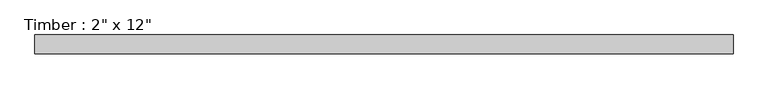
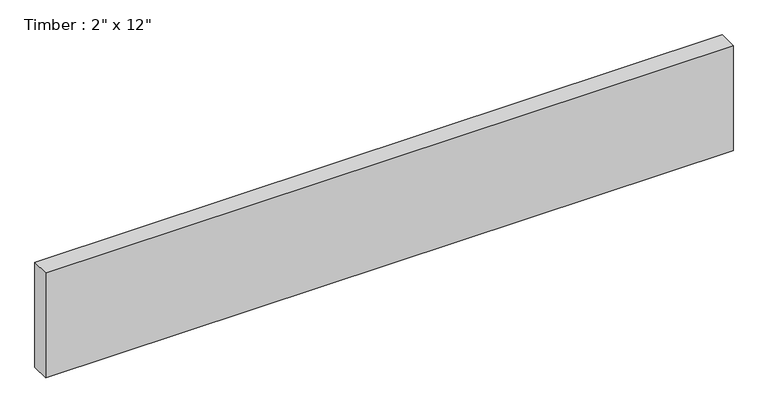
"""IFC4 building model written with IfcOpenShell, lengths in millimetres: beam geometry."""

from ifc_helpers import new_model, si_unit, frame, origin, place, context, project, spatial, polyline, outline, extrude, source, transform, mapped, element, save


def beam_5a989ac2(model_context):
    return source(origin(), model_context, "Body", "SweptSolid", [
        extrude(outline(polyline([(953.9490515, 25.4), (953.9490515, -25.4), (-930.2902004, -25.4), (-930.2902004, 25.4), (953.9490515, 25.4)])), frame((0.0, 0.0, -152.4), z_axis=(0.0, 0.0, 1.0), x_axis=(1.0, 0.0, 0.0)), (0.0, 0.0, 1.0), 304.8),
    ])


if __name__ == "__main__":
    model = new_model("IFC4")
    model_context = context("Model", 3, world=origin())
    ifc_project = project(units=[si_unit("LENGTHUNIT", "METRE", prefix="MILLI")], contexts=[model_context])
    site = spatial("IfcSite", under=ifc_project)
    building = spatial("IfcBuilding", under=site)
    placement = place(None, origin())
    beam_shape = beam_5a989ac2(model_context)
    element("IfcBeam", 1, ObjectType="Timber : 2\" x 12\"", at=placement, inside=building, context=model_context, shape_type="MappedRepresentation", body=[
        mapped(beam_shape, transform((0.0, 0.0, 0.0), x_axis=(1.0, 0.0, 0.0), y_axis=(0.0, 1.0, 0.0), z_axis=(0.0, 0.0, 1.0))),
    ])
    save(model, "model.ifc")
